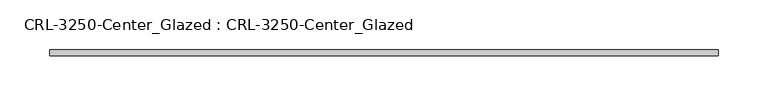
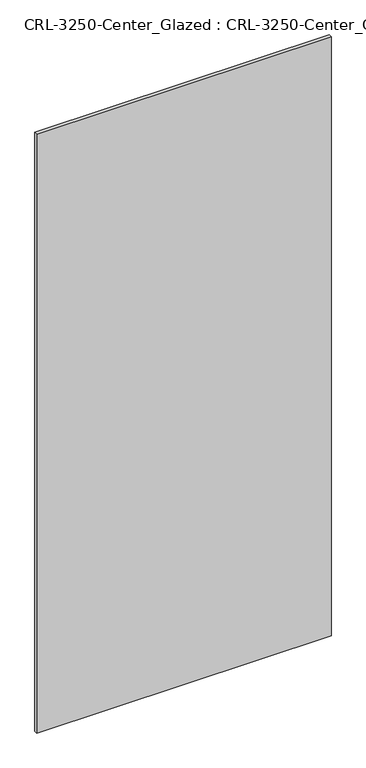
"""IFC4 building model written with IfcOpenShell, lengths in millimetres: plate geometry, CRL-3250-Center_Glazed : CRL-3250-Center_Glazed."""

import ifcopenshell
import ifcopenshell.guid

model = None  # the IFC model being written
_history = None  # IfcOwnerHistory: only IFC2X3 demands one
_inside = {}  # id of a spatial element -> (the spatial element, [elements in it])
_under = {}  # id of a project, library or spatial element -> (it, [spatial elements below it])
_declared = {}  # id of a project -> (the project, [libraries it declares])
_typed = {}  # id of a type object -> (the type object, [elements of that type])
_made_of = {}  # id of a material, layer set ... -> (it, [elements and type objects made of it])


def new_model(schema):
    """Start an empty IFC model of exactly this schema.

    Asked for "IFC4X3", IfcOpenShell would pick the latest addendum, in which some entities
    have other attributes; the version numbers below select the first issue.
    IFC2X3 requires an IfcOwnerHistory on every rooted entity: one is made here for all.
    """
    global model, _history
    if schema == "IFC4X3":
        model = ifcopenshell.file(schema_version=(4, 3, 0, 0))
    else:
        model = ifcopenshell.file(schema=schema)
    _inside.clear()
    _under.clear()
    _declared.clear()
    _typed.clear()
    _made_of.clear()
    _history = None
    if model.schema == "IFC2X3":
        org = make("IfcOrganization", Name="unknown")
        user = make(
            "IfcPersonAndOrganization",
            ThePerson=make("IfcPerson", FamilyName="unknown"),
            TheOrganization=org,
        )
        app = make(
            "IfcApplication",
            ApplicationDeveloper=org,
            Version="unknown",
            ApplicationFullName="unknown",
            ApplicationIdentifier="unknown",
        )
        _history = make(
            "IfcOwnerHistory",
            OwningUser=user,
            OwningApplication=app,
            ChangeAction="ADDED",
            CreationDate=0,
        )
    return model


def make(cls, **values):
    """One entity of the class cls with the attributes given. An attribute that is None is left unset."""
    return model.create_entity(
        cls, **{name: value for name, value in values.items() if value is not None}
    )


def rooted(cls, **values):
    """An entity with a GlobalId (a new one), such as an element, a storey or a relation."""
    return make(cls, GlobalId=ifcopenshell.guid.new(), OwnerHistory=_history, **values)


def si_unit(unit_type, name, prefix=None):
    """IfcSIUnit, for example si_unit("LENGTHUNIT", "METRE", prefix="MILLI")."""
    return make("IfcSIUnit", UnitType=unit_type, Prefix=prefix, Name=name)


def assignment(units):
    """IfcUnitAssignment: the units of a project."""
    return None if units is None else make("IfcUnitAssignment", Units=units)


def point(xyz):
    """IfcCartesianPoint."""
    return None if xyz is None else make("IfcCartesianPoint", Coordinates=xyz)


def direction(xyz):
    """IfcDirection."""
    return None if xyz is None else make("IfcDirection", DirectionRatios=xyz)


def frame(location, z_axis=None, x_axis=None):
    """IfcAxis2Placement3D, a coordinate frame: its origin and axes. An axis left out is left unset."""
    return make(
        "IfcAxis2Placement3D",
        Location=point(location),
        Axis=direction(z_axis),
        RefDirection=direction(x_axis),
    )


def origin():
    """The frame at (0, 0, 0) with its axes left unset."""
    return frame((0.0, 0.0, 0.0))


def origin_with_axes():
    """The frame at (0, 0, 0) with the z axis (0, 0, 1) and the x axis (1, 0, 0) written out."""
    return frame((0.0, 0.0, 0.0), z_axis=(0.0, 0.0, 1.0), x_axis=(1.0, 0.0, 0.0))


def place(relative_to, where):
    """IfcLocalPlacement: puts the frame where relative to a parent placement (None: the world)."""
    return make(
        "IfcLocalPlacement", PlacementRelTo=relative_to, RelativePlacement=where
    )


def context(
    kind, dimensions, precision=None, world=None, true_north=None, identifier=None
):
    """IfcGeometricRepresentationContext, for example the 3D "Model" context."""
    return make(
        "IfcGeometricRepresentationContext",
        ContextIdentifier=identifier,
        ContextType=kind,
        CoordinateSpaceDimension=dimensions,
        Precision=precision,
        WorldCoordinateSystem=world,
        TrueNorth=true_north,
    )


def project(units=None, contexts=None):
    """IfcProject with its units and contexts."""
    return rooted(
        "IfcProject",
        Name="project",
        RepresentationContexts=contexts,
        UnitsInContext=assignment(units),
    )


def spatial(cls, under=None, at=None, **own):
    """A site, building, storey or space (cls), placed at a placement, below another one or the project."""
    s = rooted(cls, ObjectPlacement=at, **own)
    if under is not None:
        _under.setdefault(under.id(), (under, []))[1].append(s)
    return s


def polyline(points):
    """IfcPolyline through the points."""
    return make("IfcPolyline", Points=[point(p) for p in points])


def outline(outer, holes=None, kind="AREA"):
    """IfcArbitraryClosedProfileDef: a profile drawn as a closed curve; with holes, ...WithVoids."""
    if holes is None:
        return make("IfcArbitraryClosedProfileDef", ProfileType=kind, OuterCurve=outer)
    return make(
        "IfcArbitraryProfileDefWithVoids",
        ProfileType=kind,
        OuterCurve=outer,
        InnerCurves=holes,
    )


def extrude(swept, where, along, depth):
    """IfcExtrudedAreaSolid: the profile swept, set in the frame where, extruded along a direction by depth."""
    return make(
        "IfcExtrudedAreaSolid",
        SweptArea=swept,
        Position=where,
        ExtrudedDirection=direction(along),
        Depth=depth,
    )


def shape(context_of_items, identifier, shape_type, items):
    """IfcShapeRepresentation: the items that make up one representation, for example the "Body"."""
    return make(
        "IfcShapeRepresentation",
        ContextOfItems=context_of_items,
        RepresentationIdentifier=identifier,
        RepresentationType=shape_type,
        Items=items,
    )


def source(mapping_origin, context_of_items, identifier, shape_type, items):
    """IfcRepresentationMap: a shape defined once, which mapped items show again and again."""
    return make(
        "IfcRepresentationMap",
        MappingOrigin=mapping_origin,
        MappedRepresentation=shape(context_of_items, identifier, shape_type, items),
    )


def transform(
    local_origin,
    x_axis=None,
    y_axis=None,
    z_axis=None,
    scale=None,
    scale2=None,
    scale3=None,
    uniform=True,
):
    """IfcCartesianTransformationOperator3D, or its non-uniform kind. x_axis, y_axis, z_axis: its Axis1, 2, 3."""
    if uniform:
        return make(
            "IfcCartesianTransformationOperator3D",
            Axis1=direction(x_axis),
            Axis2=direction(y_axis),
            LocalOrigin=point(local_origin),
            Scale=scale,
            Axis3=direction(z_axis),
        )
    return make(
        "IfcCartesianTransformationOperator3DnonUniform",
        Axis1=direction(x_axis),
        Axis2=direction(y_axis),
        LocalOrigin=point(local_origin),
        Scale=scale,
        Axis3=direction(z_axis),
        Scale2=scale2,
        Scale3=scale3,
    )


def mapped(mapping_source, mapping_target):
    """IfcMappedItem: shows the shape of a source again, moved by a transform."""
    return make(
        "IfcMappedItem", MappingSource=mapping_source, MappingTarget=mapping_target
    )


def made_of(thing, what):
    """Note that an element or type object is made of a material, layer set ...; save() writes the relation."""
    if what is not None:
        _made_of.setdefault(what.id(), (what, []))[1].append(thing)
    return thing


def element(
    cls,
    number,
    at=None,
    inside=None,
    cuts=None,
    type_object=None,
    material=None,
    context=None,
    identifier="Body",
    shape_type=None,
    held_by="IfcProductDefinitionShape",
    body=None,
    shapes=None,
    **own,
):
    """One element of the class cls, such as IfcWall. Its Tag is "e" and its number.

    at: its placement. inside: the storey or other place that contains it. cuts: it is an
    opening in that element (IfcRelVoidsElement). A single representation is given by context,
    identifier, shape_type and body (its items); several are given by shapes. held_by: the class
    of the entity that holds the representations. save() writes the other relations.
    """
    e = rooted(cls, Tag="e%d" % number, ObjectPlacement=at, **own)
    if body is not None:
        shapes = [shape(context, identifier, shape_type, body)]
    if shapes is not None:
        e.Representation = make(held_by, Representations=shapes)
    if inside is not None:
        _inside.setdefault(inside.id(), (inside, []))[1].append(e)
    if cuts is not None:
        rooted(
            "IfcRelVoidsElement", RelatingBuildingElement=cuts, RelatedOpeningElement=e
        )
    if type_object is not None:
        _typed.setdefault(type_object.id(), (type_object, []))[1].append(e)
    return made_of(e, material)


def aggregate(whole, parts):
    """IfcRelAggregates: a whole, such as a stair, and the parts it consists of."""
    return rooted("IfcRelAggregates", RelatingObject=whole, RelatedObjects=parts)


def save(model, path):
    """Write the relations noted so far, then the file.

    IfcRelAggregates (storeys below a building ...), IfcRelContainedInSpatialStructure (elements
    in a storey), IfcRelDefinesByType, IfcRelAssociatesMaterial and IfcRelDeclares: one each for
    every whole, place, type object, material and project.
    """
    for whole, parts in _under.values():
        aggregate(whole, parts)
    for where, things in _inside.values():
        rooted(
            "IfcRelContainedInSpatialStructure",
            RelatedElements=things,
            RelatingStructure=where,
        )
    for kind, things in _typed.values():
        rooted("IfcRelDefinesByType", RelatedObjects=things, RelatingType=kind)
    for what, things in _made_of.values():
        rooted("IfcRelAssociatesMaterial", RelatedObjects=things, RelatingMaterial=what)
    for by, libraries in _declared.values():
        rooted("IfcRelDeclares", RelatingContext=by, RelatedDefinitions=libraries)
    model.write(path)


def crl_3250_center_glazed_crl_3250_center_glazed_c99db48a(model_context):
    return source(origin(), model_context, "Body", "SweptSolid", [
        extrude(outline(polyline([(336.6373191, -3.1749999), (-336.6373191, -3.1749999), (-336.6373191, 3.1749999), (336.6373191, 3.1749999), (336.6373191, -3.1749999)])), origin_with_axes(), (0.0, 0.0, 1.0), 1447.800003),
    ])


if __name__ == "__main__":
    model = new_model("IFC4")
    model_context = context("Model", 3, world=origin())
    ifc_project = project(units=[si_unit("LENGTHUNIT", "METRE", prefix="MILLI")], contexts=[model_context])
    site = spatial("IfcSite", under=ifc_project)
    building = spatial("IfcBuilding", under=site)
    placement = place(None, origin())
    crl_3250_center_glazed_crl_3250_center_glazed_shape = crl_3250_center_glazed_crl_3250_center_glazed_c99db48a(model_context)
    element("IfcPlate", 1, ObjectType="CRL-3250-Center_Glazed : CRL-3250-Center_Glazed", at=placement, inside=building, context=model_context, shape_type="MappedRepresentation", body=[
        mapped(crl_3250_center_glazed_crl_3250_center_glazed_shape, transform((0.0, 0.0, 0.0), x_axis=(1.0, 0.0, 0.0), y_axis=(0.0, 1.0, 0.0), z_axis=(0.0, 0.0, 1.0))),
    ])
    save(model, "model.ifc")
